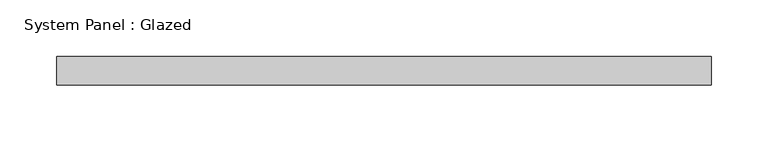
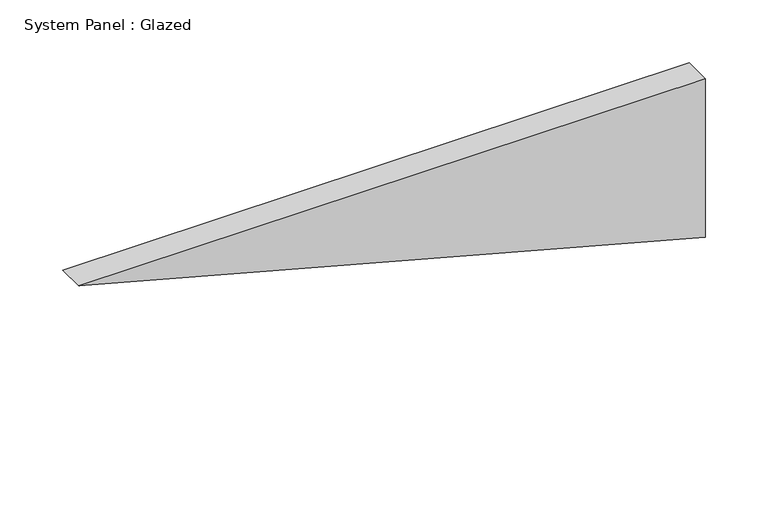
"""IFC4 building model written with IfcOpenShell, lengths in millimetres: plate geometry, System Panel : Glazed."""

from ifc_helpers import new_model, si_unit, frame, origin, place, context, project, spatial, polyline, outline, extrude, source, transform, mapped, element, save


def system_panel_glazed_dff590fe(model_context):
    return source(origin(), model_context, "Body", "SweptSolid", [
        extrude(outline(polyline([(154.0711274, -287.5006378), (0.0, 287.5006378), (154.0711274, 287.5006378), (154.0711274, -287.5006378)])), frame((0.0, -22.5, 0.0), z_axis=(0.0, 1.0, 0.0), x_axis=(0.0, 0.0, 1.0)), (0.0, 0.0, 1.0), 25.0),
    ])


if __name__ == "__main__":
    model = new_model("IFC4")
    model_context = context("Model", 3, world=origin())
    ifc_project = project(units=[si_unit("LENGTHUNIT", "METRE", prefix="MILLI")], contexts=[model_context])
    site = spatial("IfcSite", under=ifc_project)
    building = spatial("IfcBuilding", under=site)
    placement = place(None, origin())
    system_panel_glazed_shape = system_panel_glazed_dff590fe(model_context)
    element("IfcPlate", 1, ObjectType="System Panel : Glazed", at=placement, inside=building, context=model_context, shape_type="MappedRepresentation", body=[
        mapped(system_panel_glazed_shape, transform((0.0, 0.0, 0.0), x_axis=(1.0, 0.0, 0.0), y_axis=(0.0, 1.0, 0.0), z_axis=(0.0, 0.0, 1.0))),
    ])
    save(model, "model.ifc")
